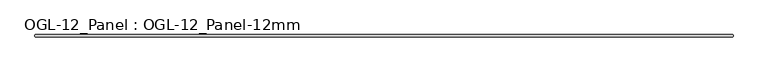
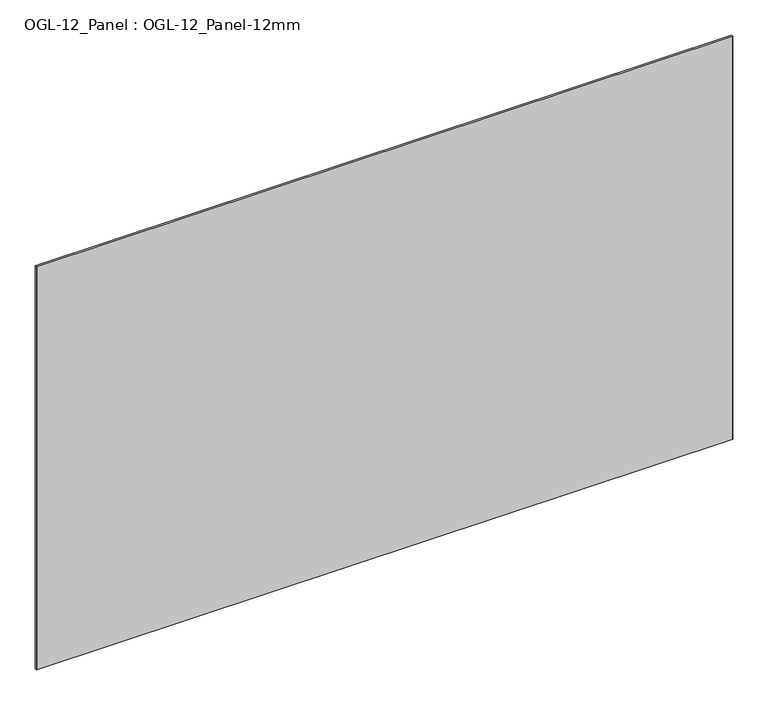
"""IFC4 building model written with IfcOpenShell, lengths in millimetres: plate geometry, OGL-12_Panel : OGL-12_Panel-12mm."""

from ifc_helpers import new_model, si_unit, origin, origin_with_axes, place, context, project, spatial, polyline, outline, extrude, source, transform, mapped, element, save


def ogl_12_panel_ogl_12_panel_12mm_6a89c414(model_context):
    return source(origin(), model_context, "Body", "SweptSolid", [
        extrude(outline(polyline([(1911.8360521, 29.1703125), (1913.4235521, 27.5828125), (1913.4235521, 18.0578125), (1911.8360521, 16.4703125), (-1911.8360521, 16.4703125), (-1913.4235521, 18.0578125), (-1913.4235521, 27.5828125), (-1911.8360521, 29.1703125), (1911.8360521, 29.1703125)])), origin_with_axes(), (0.0, 0.0, 1.0), 2339.9738578),
    ])


if __name__ == "__main__":
    model = new_model("IFC4")
    model_context = context("Model", 3, world=origin())
    ifc_project = project(units=[si_unit("LENGTHUNIT", "METRE", prefix="MILLI")], contexts=[model_context])
    site = spatial("IfcSite", under=ifc_project)
    building = spatial("IfcBuilding", under=site)
    placement = place(None, origin())
    ogl_12_panel_ogl_12_panel_12mm_shape = ogl_12_panel_ogl_12_panel_12mm_6a89c414(model_context)
    element("IfcPlate", 1, ObjectType="OGL-12_Panel : OGL-12_Panel-12mm", at=placement, inside=building, context=model_context, shape_type="MappedRepresentation", body=[
        mapped(ogl_12_panel_ogl_12_panel_12mm_shape, transform((0.0, 0.0, 0.0), x_axis=(1.0, 0.0, 0.0), y_axis=(0.0, 1.0, 0.0), z_axis=(0.0, 0.0, 1.0))),
    ])
    save(model, "model.ifc")
